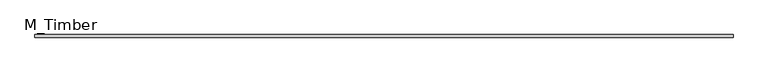
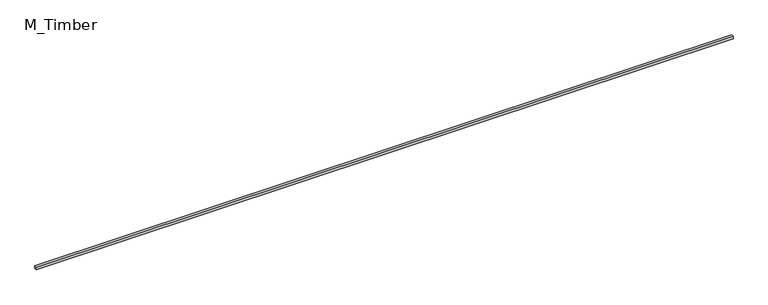
"""IFC4 building model written with IfcOpenShell, lengths in millimetres: beam geometry, M_Timber."""

from ifc_helpers import new_model, si_unit, frame, origin, place, context, project, spatial, polyline, outline, extrude, source, transform, mapped, element, save


def m_timber_8c80444f(model_context):
    return source(origin(), model_context, "Body", "SweptSolid", [
        extrude(outline(polyline([(7960.7585618, 30.0), (7960.7585618, -30.0), (-7960.7585618, -30.0), (-7960.7585618, 30.0), (7960.7585618, 30.0)])), frame((0.0, 0.0, -30.0), z_axis=(0.0, 0.0, 1.0), x_axis=(1.0, 0.0, 0.0)), (0.0, 0.0, 1.0), 60.0),
    ])


if __name__ == "__main__":
    model = new_model("IFC4")
    model_context = context("Model", 3, world=origin())
    ifc_project = project(units=[si_unit("LENGTHUNIT", "METRE", prefix="MILLI")], contexts=[model_context])
    site = spatial("IfcSite", under=ifc_project)
    building = spatial("IfcBuilding", under=site)
    placement = place(None, origin())
    m_timber_shape = m_timber_8c80444f(model_context)
    element("IfcBeam", 1, ObjectType="M_Timber", at=placement, inside=building, context=model_context, shape_type="MappedRepresentation", body=[
        mapped(m_timber_shape, transform((0.0, 0.0, 0.0), x_axis=(1.0, 0.0, 0.0), y_axis=(0.0, 1.0, 0.0), z_axis=(0.0, 0.0, 1.0))),
    ])
    save(model, "model.ifc")
